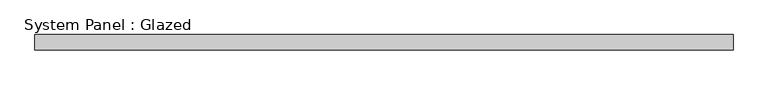
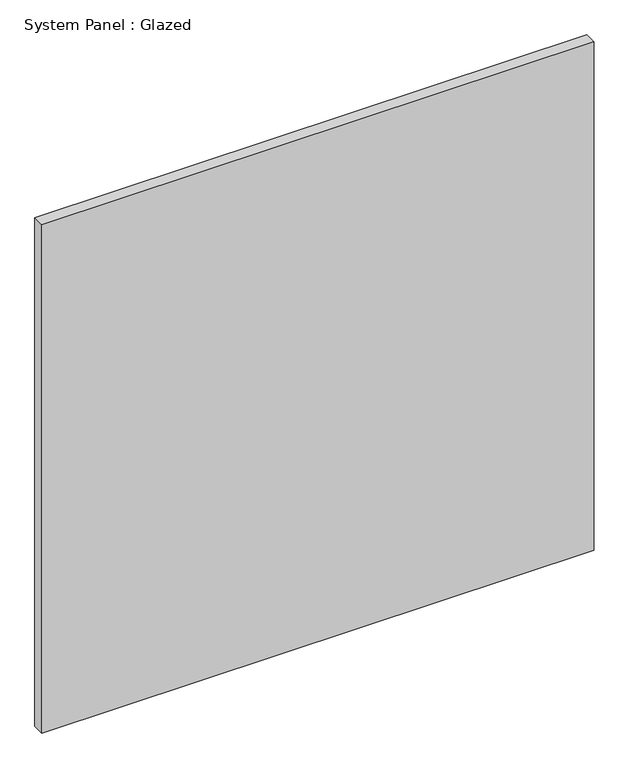
"""IFC4 building model written with IfcOpenShell, lengths in millimetres: plate geometry, System Panel : Glazed."""

from ifc_helpers import new_model, si_unit, origin, origin_with_axes, place, context, project, spatial, polyline, outline, extrude, source, transform, mapped, element, save


def system_panel_glazed_e8891cfa(model_context):
    return source(origin(), model_context, "Body", "SweptSolid", [
        extrude(outline(polyline([(577.85, -44.45), (-577.85, -44.45), (-577.85, -19.05), (577.85, -19.05), (577.85, -44.45)])), origin_with_axes(), (0.0, 0.0, 1.0), 1123.95),
    ])


if __name__ == "__main__":
    model = new_model("IFC4")
    model_context = context("Model", 3, world=origin())
    ifc_project = project(units=[si_unit("LENGTHUNIT", "METRE", prefix="MILLI")], contexts=[model_context])
    site = spatial("IfcSite", under=ifc_project)
    building = spatial("IfcBuilding", under=site)
    placement = place(None, origin())
    system_panel_glazed_shape = system_panel_glazed_e8891cfa(model_context)
    element("IfcPlate", 1, ObjectType="System Panel : Glazed", at=placement, inside=building, context=model_context, shape_type="MappedRepresentation", body=[
        mapped(system_panel_glazed_shape, transform((0.0, 0.0, 0.0), x_axis=(1.0, 0.0, 0.0), y_axis=(0.0, 1.0, 0.0), z_axis=(0.0, 0.0, 1.0))),
    ])
    save(model, "model.ifc")
